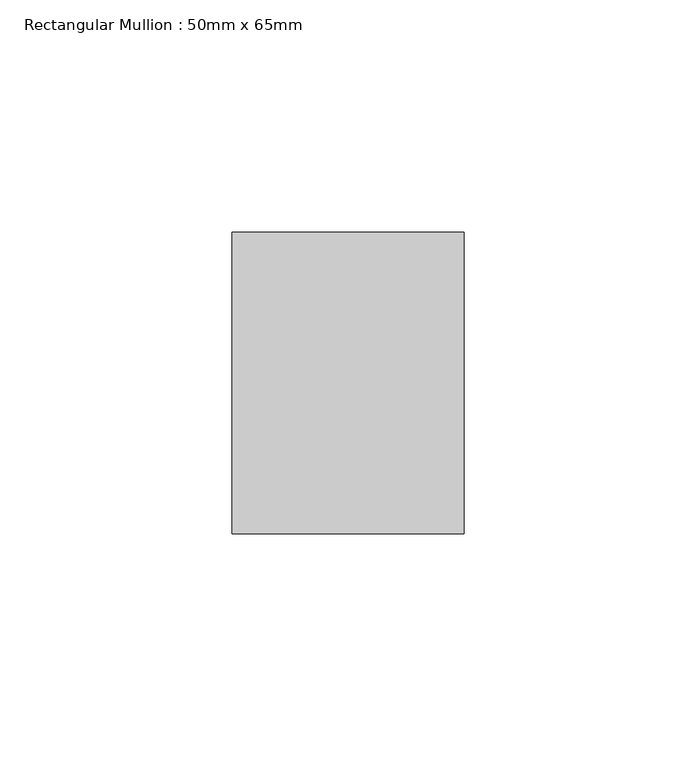
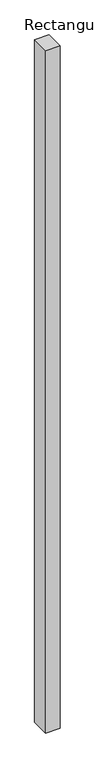
"""IFC4 building model written with IfcOpenShell, lengths in millimetres: member geometry, Rectangular Mullion : 50mm x 65mm."""

from ifc_helpers import new_model, si_unit, frame, origin, place, context, project, spatial, polyline, outline, extrude, source, transform, mapped, element, save


def rectangular_mullion_50mm_x_65mm_96a8eb3c(model_context):
    return source(origin(), model_context, "Body", "SweptSolid", [
        extrude(outline(polyline([(25.0, 32.5), (25.0, -32.5), (-25.0, -32.5), (-25.0, 32.5), (25.0, 32.5)])), frame((0.0, 0.0, -2478.0265288), z_axis=(0.0, 0.0, 1.0), x_axis=(1.0, 0.0, 0.0)), (0.0, 0.0, 1.0), 2478.0265288),
    ])


if __name__ == "__main__":
    model = new_model("IFC4")
    model_context = context("Model", 3, world=origin())
    ifc_project = project(units=[si_unit("LENGTHUNIT", "METRE", prefix="MILLI")], contexts=[model_context])
    site = spatial("IfcSite", under=ifc_project)
    building = spatial("IfcBuilding", under=site)
    placement = place(None, origin())
    rectangular_mullion_50mm_x_65mm_shape = rectangular_mullion_50mm_x_65mm_96a8eb3c(model_context)
    element("IfcMember", 1, ObjectType="Rectangular Mullion : 50mm x 65mm", at=placement, inside=building, context=model_context, shape_type="MappedRepresentation", body=[
        mapped(rectangular_mullion_50mm_x_65mm_shape, transform((0.0, 0.0, 0.0), x_axis=(1.0, 0.0, 0.0), y_axis=(0.0, 1.0, 0.0), z_axis=(0.0, 0.0, 1.0))),
    ])
    save(model, "model.ifc")
